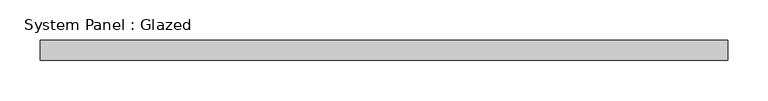
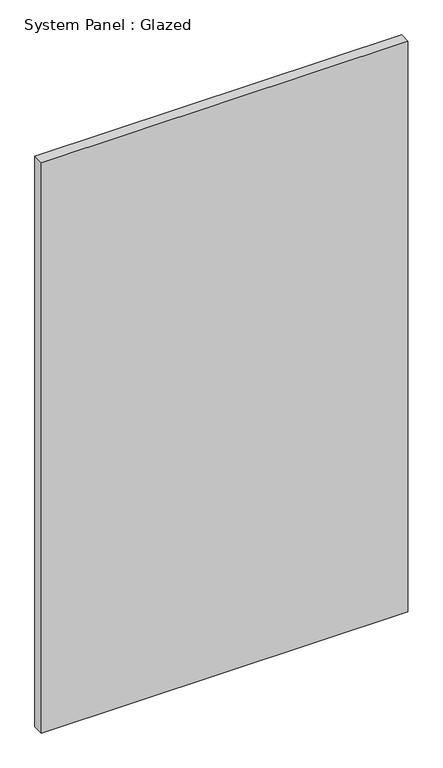
"""IFC4 building model written with IfcOpenShell, lengths in millimetres: plate geometry, System Panel : Glazed."""

from ifc_helpers import new_model, si_unit, origin, origin_with_axes, place, context, project, spatial, polyline, outline, extrude, source, transform, mapped, element, save


def system_panel_glazed_fbd1a3e7(model_context):
    return source(origin(), model_context, "Body", "SweptSolid", [
        extrude(outline(polyline([(428.625, -44.45), (-428.625, -44.45), (-428.625, -19.05), (428.625, -19.05), (428.625, -44.45)])), origin_with_axes(), (0.0, 0.0, 1.0), 1409.7),
    ])


if __name__ == "__main__":
    model = new_model("IFC4")
    model_context = context("Model", 3, world=origin())
    ifc_project = project(units=[si_unit("LENGTHUNIT", "METRE", prefix="MILLI")], contexts=[model_context])
    site = spatial("IfcSite", under=ifc_project)
    building = spatial("IfcBuilding", under=site)
    placement = place(None, origin())
    system_panel_glazed_shape = system_panel_glazed_fbd1a3e7(model_context)
    element("IfcPlate", 1, ObjectType="System Panel : Glazed", at=placement, inside=building, context=model_context, shape_type="MappedRepresentation", body=[
        mapped(system_panel_glazed_shape, transform((0.0, 0.0, 0.0), x_axis=(1.0, 0.0, 0.0), y_axis=(0.0, 1.0, 0.0), z_axis=(0.0, 0.0, 1.0))),
    ])
    save(model, "model.ifc")
